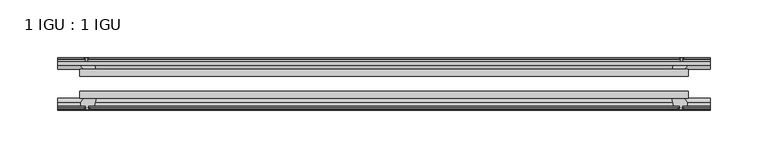
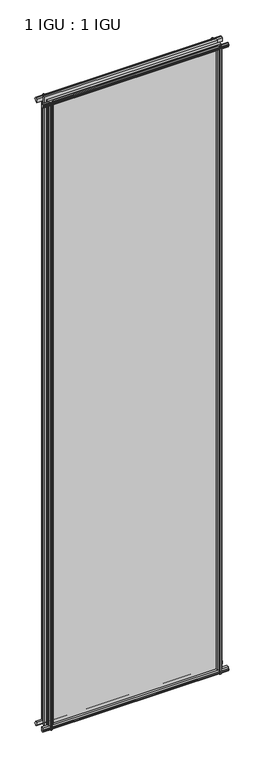
"""IFC4 building model written with IfcOpenShell, lengths in millimetres: plate geometry, 1 IGU : 1 IGU."""

from ifc_helpers import new_model, si_unit, frame, origin, place, context, project, spatial, polyline, outline, extrude, source, transform, mapped, element, save


def plate_1_igu_1_igu_f4cc39ef(model_context):
    return source(origin(), model_context, "Body", "SweptSolid", [
        extrude(outline(polyline([(-263.5317471, -38.6468937), (263.5317471, -38.6468937), (263.5317471, -44.9460938), (-263.5317471, -44.9460938), (-263.5317471, -38.6468937)])), frame((0.0, 0.0, -12.7), z_axis=(0.0, 0.0, 1.0), x_axis=(1.0, 0.0, 0.0)), (0.0, 0.0, 1.0), 2019.2999999),
        extrude(outline(polyline([(-263.5317471, -19.5460937), (263.5317471, -19.5460937), (263.5317471, -25.8960938), (-263.5317471, -25.8960938), (-263.5317471, -19.5460937)])), frame((0.0, 0.0, -12.7), z_axis=(0.0, 0.0, 1.0), x_axis=(1.0, 0.0, 0.0)), (0.0, 0.0, 1.0), 2019.2999999),
        extrude(outline(polyline([(-44.9460937, 1.7177181), (-44.9460937, -9.1036578), (-48.3496937, -11.938), (-51.2960937, -11.938), (-51.2960937, -7.493), (-53.6762907, -7.112), (-53.2163575, -8.5275291), (-54.0175717, -8.5275291), (-54.7250937, -6.35), (-54.0175717, -4.1724709), (-53.2163575, -4.1724709), (-53.6762907, -5.588), (-51.2960937, -5.207), (-51.2960937, 0.0), (-44.9460937, 1.7177181)])), frame((-282.5817471, 0.0, 0.0), z_axis=(1.0, 0.0, 0.0), x_axis=(0.0, 1.0, 0.0)), (0.0, 0.0, 1.0), 565.1634941),
        extrude(outline(polyline([(-13.1960937, -12.4587), (-16.1424937, -12.4587), (-19.5460937, -9.6243578), (-19.5460937, 1.1970181), (-13.1960937, -0.5207), (-13.1960937, -5.7277), (-10.8158968, -6.1087), (-11.27583, -4.6931709), (-10.4746158, -4.6931709), (-9.7670937, -6.8707), (-10.4746158, -9.0482291), (-11.27583, -9.0482291), (-10.8158968, -7.6327), (-13.1960937, -8.0137), (-13.1960937, -12.4587)])), frame((-282.5817471, 0.0, 0.0), z_axis=(1.0, 0.0, 0.0), x_axis=(0.0, 1.0, 0.0)), (0.0, 0.0, 1.0), 565.1634941),
        extrude(outline(polyline([(-51.2960937, 2005.8379999), (-48.3496937, 2005.8379999), (-44.9460937, 2003.0036577), (-44.9460937, 1992.1822818), (-51.2960937, 1993.8999999), (-51.2960937, 1999.1069999), (-53.6762907, 1999.4879999), (-53.2163575, 1998.0724708), (-54.0175717, 1998.0724708), (-54.7250937, 2000.2499999), (-54.0175717, 2002.4275289), (-53.2163575, 2002.4275289), (-53.6762907, 2001.0119999), (-51.2960937, 2001.3929999), (-51.2960937, 2005.8379999)])), frame((-282.5817471, 0.0, 0.0), z_axis=(1.0, 0.0, 0.0), x_axis=(0.0, 1.0, 0.0)), (0.0, 0.0, 1.0), 565.1634941),
        extrude(outline(polyline([(-19.5460937, 1992.7029818), (-19.5460937, 2003.5243577), (-16.1424937, 2006.3586999), (-13.1960937, 2006.3586999), (-13.1960937, 2001.9136999), (-10.8158968, 2001.5326999), (-11.27583, 2002.9482289), (-10.4746158, 2002.9482289), (-9.7670937, 2000.7706999), (-10.4746158, 1998.5931708), (-11.27583, 1998.5931708), (-10.8158968, 2000.0086999), (-13.1960937, 1999.6276999), (-13.1960937, 1994.4206999), (-19.5460937, 1992.7029818)])), frame((-282.5817471, 0.0, 0.0), z_axis=(1.0, 0.0, 0.0), x_axis=(0.0, 1.0, 0.0)), (0.0, 0.0, 1.0), 565.1634941),
        extrude(outline(polyline([(249.634729, -19.5460938), (251.3524471, -13.1960938), (256.5594471, -13.1960938), (256.9404471, -10.8158968), (255.524918, -11.27583), (255.524918, -10.4746158), (257.7024471, -9.7670938), (259.8799761, -10.4746158), (259.8799761, -11.27583), (258.4644471, -10.8158968), (258.8454471, -13.1960938), (263.2904471, -13.1960938), (263.2904471, -16.1424938), (260.4561049, -19.5460938), (249.634729, -19.5460938)])), frame((0.0, 0.0, -12.7), z_axis=(0.0, 0.0, 1.0), x_axis=(1.0, 0.0, 0.0)), (0.0, 0.0, 1.0), 2019.3),
        extrude(outline(polyline([(249.114029, -44.9460938), (259.9354049, -44.9460938), (262.7697471, -48.3496938), (262.7697471, -51.2960938), (258.3247471, -51.2960938), (257.9437471, -53.6762907), (259.3592761, -53.2163575), (259.3592761, -54.0175717), (257.1817471, -54.7250938), (255.004218, -54.0175717), (255.004218, -53.2163575), (256.4197471, -53.6762907), (256.0387471, -51.2960938), (250.8317471, -51.2960938), (249.114029, -44.9460938)])), frame((0.0, 0.0, -12.7), z_axis=(0.0, 0.0, 1.0), x_axis=(1.0, 0.0, 0.0)), (0.0, 0.0, 1.0), 2019.3),
        extrude(outline(polyline([(-257.7024471, -9.7670937), (-255.524918, -10.4746158), (-255.524918, -11.27583), (-256.9404471, -10.8158968), (-256.5594471, -13.1960937), (-251.3524471, -13.1960937), (-249.634729, -19.5460937), (-260.4561049, -19.5460937), (-263.2904471, -16.1424937), (-263.2904471, -13.1960937), (-258.8454471, -13.1960937), (-258.4644471, -10.8158968), (-259.8799761, -11.27583), (-259.8799761, -10.4746158), (-257.7024471, -9.7670937)])), frame((0.0, 0.0, -12.7), z_axis=(0.0, 0.0, 1.0), x_axis=(1.0, 0.0, 0.0)), (0.0, 0.0, 1.0), 2019.3),
        extrude(outline(polyline([(-262.7697471, -48.3496937), (-259.9354049, -44.9460937), (-249.114029, -44.9460937), (-250.8317471, -51.2960937), (-256.0387471, -51.2960937), (-256.4197471, -53.6762907), (-255.004218, -53.2163575), (-255.004218, -54.0175717), (-257.1817471, -54.7250937), (-259.3592761, -54.0175717), (-259.3592761, -53.2163575), (-257.9437471, -53.6762907), (-258.3247471, -51.2960937), (-262.7697471, -51.2960937), (-262.7697471, -48.3496937)])), frame((0.0, 0.0, -12.7), z_axis=(0.0, 0.0, 1.0), x_axis=(1.0, 0.0, 0.0)), (0.0, 0.0, 1.0), 2019.3),
    ])


if __name__ == "__main__":
    model = new_model("IFC4")
    model_context = context("Model", 3, world=origin())
    ifc_project = project(units=[si_unit("LENGTHUNIT", "METRE", prefix="MILLI")], contexts=[model_context])
    site = spatial("IfcSite", under=ifc_project)
    building = spatial("IfcBuilding", under=site)
    placement = place(None, origin())
    plate_1_igu_1_igu_shape = plate_1_igu_1_igu_f4cc39ef(model_context)
    element("IfcPlate", 1, ObjectType="1 IGU : 1 IGU", at=placement, inside=building, context=model_context, shape_type="MappedRepresentation", body=[
        mapped(plate_1_igu_1_igu_shape, transform((0.0, 0.0, 0.0), x_axis=(1.0, 0.0, 0.0), y_axis=(0.0, 1.0, 0.0), z_axis=(0.0, 0.0, 1.0))),
    ])
    save(model, "model.ifc")
